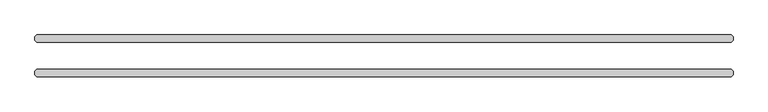
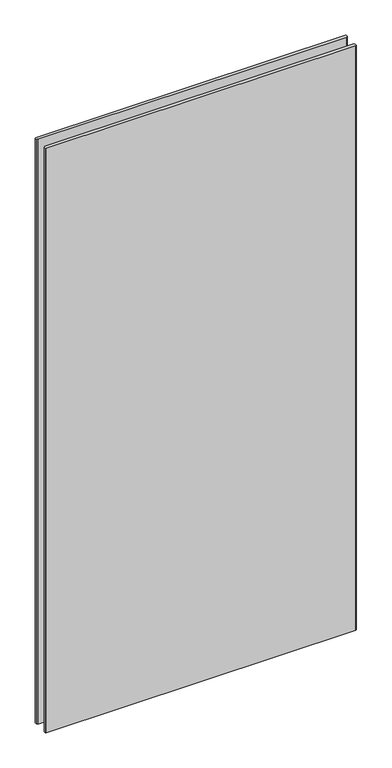
"""IFC4 building model written with IfcOpenShell, lengths in millimetres: plate geometry."""

from ifc_helpers import new_model, si_unit, origin, origin_with_axes, place, context, project, spatial, polyline, outline, extrude, source, transform, mapped, element, save


def plate_d0247b76(model_context):
    return source(origin(), model_context, "Body", "SweptSolid", [
        extrude(outline(polyline([(608.0125, 36.5125), (611.1875, 33.3375), (611.1875, 26.9875), (608.0125, 23.8125), (-608.0125, 23.8125), (-611.1875, 26.9875), (-611.1875, 33.3375), (-608.0125, 36.5125), (608.0125, 36.5125)])), origin_with_axes(), (0.0, 0.0, 1.0), 2428.7789267),
        extrude(outline(polyline([(608.0125, -23.8125), (611.1875, -26.9875), (611.1875, -33.3375), (608.0125, -36.5125), (-608.0125, -36.5125), (-611.1875, -33.3375), (-611.1875, -26.9875), (-608.0125, -23.8125), (608.0125, -23.8125)])), origin_with_axes(), (0.0, 0.0, 1.0), 2428.7789267),
    ])


if __name__ == "__main__":
    model = new_model("IFC4")
    model_context = context("Model", 3, world=origin())
    ifc_project = project(units=[si_unit("LENGTHUNIT", "METRE", prefix="MILLI")], contexts=[model_context])
    site = spatial("IfcSite", under=ifc_project)
    building = spatial("IfcBuilding", under=site)
    placement = place(None, origin())
    plate_shape = plate_d0247b76(model_context)
    element("IfcPlate", 1, at=placement, inside=building, context=model_context, shape_type="MappedRepresentation", body=[
        mapped(plate_shape, transform((0.0, 0.0, 0.0), x_axis=(1.0, 0.0, 0.0), y_axis=(0.0, 1.0, 0.0), z_axis=(0.0, 0.0, 1.0))),
    ])
    save(model, "model.ifc")
